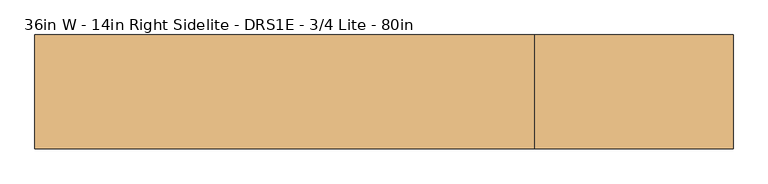
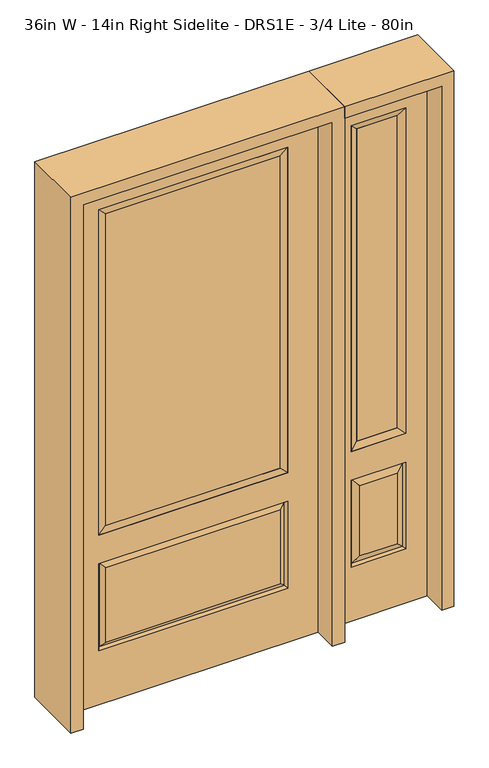
"""IFC4 building model written with IfcOpenShell, lengths in millimetres: door geometry, 36in W - 14in Right Sidelite - DRS1E - 3/4 Lite - 80in."""

from ifc_helpers import new_model, si_unit, frame, origin, place, context, project, spatial, polyline, outline, extrude, faceted_brep, source, transform, mapped, element, save


def door_36in_w_14in_right_sidelite_drs1e_3_4_lite_80in_6124342f(model_context):
    return source(origin(), model_context, "Body", "SolidModel", [
        faceted_brep([(501.65, -22.225, 0.0), (857.25, -22.225, 0.0), (857.25, -22.225, 2032.0), (501.65, -22.225, 2032.0), (779.78, -22.225, 1919.224), (779.78, -22.225, 657.098), (579.12, -22.225, 657.098), (579.12, -22.225, 1919.224), (779.78, -22.225, 209.55), (579.12, -22.225, 209.55), (579.12, -22.225, 546.1), (779.78, -22.225, 546.1), (610.8351001, -22.225, 241.2651001), (748.0648999, -22.225, 241.2651001), (748.0648999, -22.225, 514.3848999), (610.8351001, -22.225, 514.3848999), (501.65, 22.225, 0.0), (501.65, 22.225, 2032.0), (857.25, 22.225, 2032.0), (857.25, 22.225, 0.0), (779.78, 22.225, 1919.224), (579.12, 22.225, 1919.224), (579.12, 22.225, 657.098), (779.78, 22.225, 657.098), (579.12, 22.225, 209.55), (779.78, 22.225, 209.55), (779.78, 22.225, 546.1), (579.12, 22.225, 546.1), (748.0648999, 22.225, 241.2651001), (610.8351001, 22.225, 241.2651001), (610.8351001, 22.225, 514.3848999), (748.0648999, 22.225, 514.3848999), (772.6711499, 12.7912373, 216.6588501), (586.2288501, 12.7912373, 216.6588501), (586.2288501, 12.7912373, 538.9911499), (772.6711499, 12.7912373, 538.9911499), (586.2288501, -12.7912373, 216.6588501), (772.6711499, -12.7912373, 216.6588501), (586.2288501, -12.7912373, 538.9911499), (772.6711499, -12.7912373, 538.9911499)], [[[0, 1, 2, 3], [4, 5, 6, 7], [8, 9, 10, 11]], [[12, 13, 14, 15]], [[16, 17, 18, 19], [20, 21, 22, 23], [24, 25, 26, 27]], [[28, 29, 30, 31]], [[1, 0, 16, 19]], [[2, 1, 19, 18]], [[3, 2, 18, 17]], [[0, 3, 17, 16]], [[5, 4, 20, 23]], [[6, 5, 23, 22]], [[7, 6, 22, 21]], [[4, 7, 21, 20]], [[32, 33, 29, 28]], [[33, 32, 25, 24]], [[29, 33, 34, 30]], [[33, 24, 27, 34]], [[30, 34, 35, 31]], [[34, 27, 26, 35]], [[32, 28, 31, 35]], [[25, 32, 35, 26]], [[12, 36, 37, 13]], [[37, 36, 9, 8]], [[36, 12, 15, 38]], [[9, 36, 38, 10]], [[38, 15, 14, 39]], [[10, 38, 39, 11]], [[13, 37, 39, 14]], [[37, 8, 11, 39]]]),
        faceted_brep([(579.12, 22.225, 1919.224), (579.12, -22.225, 1919.224), (779.78, -22.225, 1919.224), (779.78, 22.225, 1919.224), (604.52, 12.7, 1893.824), (754.38, 12.7, 1893.824), (604.52, -12.7, 1893.824), (754.38, -12.7, 1893.824), (779.78, -22.225, 657.098), (779.78, 22.225, 657.098), (754.38, 12.7, 682.498), (754.38, -12.7, 682.498), (579.12, -22.225, 657.098), (579.12, 22.225, 657.098), (604.52, 12.7, 682.498), (604.52, -12.7, 682.498)], [[[0, 1, 2, 3]], [[4, 0, 3, 5]], [[6, 4, 5, 7]], [[1, 6, 7, 2]], [[3, 2, 8, 9]], [[5, 3, 9, 10]], [[7, 5, 10, 11]], [[2, 7, 11, 8]], [[9, 8, 12, 13]], [[10, 9, 13, 14]], [[11, 10, 14, 15]], [[8, 11, 15, 12]], [[13, 12, 1, 0]], [[14, 13, 0, 4]], [[15, 14, 4, 6]], [[12, 15, 6, 1]]]),
        extrude(outline(polyline([(754.38, -12.7), (604.52, -12.7), (604.52, 12.7), (754.38, 12.7), (754.38, -12.7)])), frame((0.0, 0.0, 682.498), z_axis=(0.0, 0.0, 1.0), x_axis=(1.0, 0.0, 0.0)), (0.0, 0.0, 1.0), 1211.326),
        faceted_brep([(-338.9661499, -12.7912373, 216.6588501), (338.9661499, -12.7912373, 216.6588501), (321.46875, -22.225, 234.15625), (-321.46875, -22.225, 234.15625), (-346.075, -22.225, 209.55), (346.075, -22.225, 209.55), (-338.9661499, -12.7912373, 538.9911499), (-346.075, -22.225, 546.1), (321.46875, -22.225, 521.49375), (-321.46875, -22.225, 521.49375), (457.2, -22.225, 2032.0), (-457.2, -22.225, 2032.0), (-457.2, -22.225, 0.0), (457.2, -22.225, 0.0), (346.075, -22.225, 546.1), (346.075, -22.225, 1917.7), (346.075, -22.225, 657.098), (-346.075, -22.225, 657.098), (-346.075, -22.225, 1917.7), (338.9661499, -12.7912373, 538.9911499), (-457.2, 22.225, 2032.0), (-457.2, 22.225, 0.0), (457.2, 22.225, 0.0), (457.2, 22.225, 2032.0), (346.075, 22.225, 1917.7), (346.075, 22.225, 657.098), (-346.075, 22.225, 657.098), (-346.075, 22.225, 1917.7), (-346.075, 22.225, 209.55), (346.075, 22.225, 209.55), (346.075, 22.225, 546.1), (-346.075, 22.225, 546.1), (321.46875, 22.225, 234.15625), (-321.46875, 22.225, 234.15625), (-321.46875, 22.225, 521.49375), (321.46875, 22.225, 521.49375), (-338.9661499, 12.7912373, 216.6588501), (338.9661499, 12.7912373, 216.6588501), (338.9661499, 12.7912373, 538.9911499), (-338.9661499, 12.7912373, 538.9911499)], [[[0, 1, 2, 3]], [[1, 0, 4, 5]], [[4, 0, 6, 7]], [[3, 2, 8, 9]], [[10, 11, 12, 13], [5, 4, 7, 14], [15, 16, 17, 18]], [[1, 5, 14, 19]], [[2, 1, 19, 8]], [[0, 3, 9, 6]], [[7, 6, 19, 14]], [[6, 9, 8, 19]], [[12, 11, 20, 21]], [[13, 12, 21, 22]], [[10, 13, 22, 23]], [[16, 15, 24, 25]], [[17, 16, 25, 26]], [[18, 17, 26, 27]], [[23, 22, 21, 20], [28, 29, 30, 31], [24, 27, 26, 25]], [[32, 33, 34, 35]], [[28, 36, 37, 29]], [[29, 37, 38, 30]], [[39, 31, 30, 38]], [[36, 28, 31, 39]], [[37, 36, 33, 32]], [[33, 36, 39, 34]], [[34, 39, 38, 35]], [[37, 32, 35, 38]], [[11, 10, 23, 20]], [[15, 18, 27, 24]]]),
        faceted_brep([(-346.075, -22.225, 1917.7), (-346.075, 22.225, 1917.7), (-346.075, 22.225, 657.098), (-346.075, -22.225, 657.098), (346.075, 22.225, 657.098), (346.075, -22.225, 657.098), (-320.675, 5.08, 682.498), (320.675, 5.08, 682.498), (346.075, 22.225, 1917.7), (346.075, -22.225, 1917.7), (-320.675, -20.32, 682.498), (320.675, -20.32, 682.498), (-320.675, -20.32, 1892.3), (320.675, -20.32, 1892.3), (-320.675, 5.08, 1892.3), (320.675, 5.08, 1892.3)], [[[0, 1, 2, 3]], [[3, 2, 4, 5]], [[2, 6, 7, 4]], [[5, 4, 8, 9]], [[10, 3, 5, 11]], [[12, 0, 3, 10]], [[11, 5, 9, 13]], [[6, 10, 11, 7]], [[14, 12, 10, 6]], [[7, 11, 13, 15]], [[1, 14, 6, 2]], [[4, 7, 15, 8]], [[9, 8, 1, 0]], [[13, 9, 0, 12]], [[15, 13, 12, 14]], [[8, 15, 14, 1]]]),
        extrude(outline(polyline([(320.675, -20.32), (-320.675, -20.32), (-320.675, 5.08), (320.675, 5.08), (320.675, -20.32)])), frame((0.0, 0.0, 682.498), z_axis=(0.0, 0.0, 1.0), x_axis=(1.0, 0.0, 0.0)), (0.0, 0.0, 1.0), 1209.802),
        extrude(outline(polyline([(2076.45, -501.65), (0.0, -501.65), (0.0, -457.2), (2032.0, -457.2), (2032.0, 457.2), (0.0, 457.2), (0.0, 501.65), (2076.45, 501.65), (2076.45, -501.65)])), frame((0.0, -114.3, 0.0), z_axis=(0.0, 1.0, 0.0), x_axis=(0.0, 0.0, 1.0)), (0.0, 0.0, 1.0), 228.6),
        extrude(outline(polyline([(0.0, 857.25), (0.0, 901.7), (2076.45, 901.7), (2076.45, 501.65), (2032.0, 501.65), (2032.0, 857.25), (0.0, 857.25)])), frame((0.0, -114.3, 0.0), z_axis=(0.0, 1.0, 0.0), x_axis=(0.0, 0.0, 1.0)), (0.0, 0.0, 1.0), 228.6),
    ])


if __name__ == "__main__":
    model = new_model("IFC4")
    model_context = context("Model", 3, world=origin())
    ifc_project = project(units=[si_unit("LENGTHUNIT", "METRE", prefix="MILLI")], contexts=[model_context])
    site = spatial("IfcSite", under=ifc_project)
    building = spatial("IfcBuilding", under=site)
    placement = place(None, origin())
    door_36in_w_14in_right_sidelite_drs1e_3_4_lite_80in_shape = door_36in_w_14in_right_sidelite_drs1e_3_4_lite_80in_6124342f(model_context)
    element("IfcDoor", 1, ObjectType="36in W - 14in Right Sidelite - DRS1E - 3/4 Lite - 80in", at=placement, inside=building, context=model_context, shape_type="MappedRepresentation", body=[
        mapped(door_36in_w_14in_right_sidelite_drs1e_3_4_lite_80in_shape, transform((0.0, 0.0, 0.0), x_axis=(1.0, 0.0, 0.0), y_axis=(0.0, 1.0, 0.0), z_axis=(0.0, 0.0, 1.0))),
    ])
    save(model, "model.ifc")
